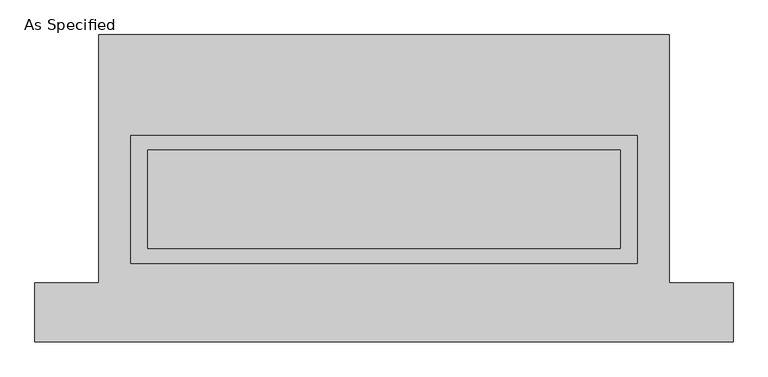
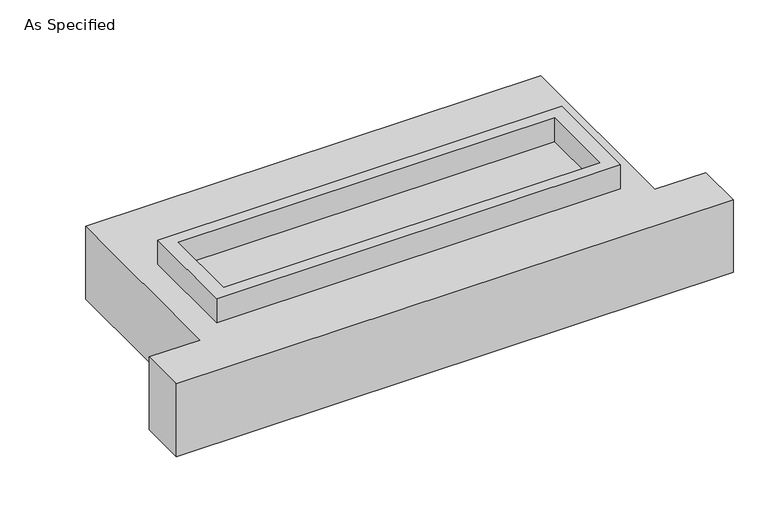
"""IFC4 building model written with IfcOpenShell, lengths in millimetres: proxy geometry, As Specified."""

from ifc_helpers import new_model, si_unit, frame, origin, place, context, project, spatial, polyline, outline, extrude, source, transform, mapped, element, save


def as_specified_8c425a91(model_context):
    return source(origin(), model_context, "Body", "SweptSolid", [
        extrude(outline(polyline([(1308.1, 273.05), (1308.1, -387.35), (-1308.1, -387.35), (-1308.1, 273.05), (1308.1, 273.05)]), holes=[polyline([(1219.2, 196.85), (-1219.2, 196.85), (-1219.2, -311.15), (1219.2, -311.15), (1219.2, 196.85)])]), frame((0.0, 0.0, -688.975), z_axis=(0.0, 0.0, 1.0), x_axis=(1.0, 0.0, 0.0)), (0.0, 0.0, 1.0), 165.1),
        extrude(outline(polyline([(1308.1, 273.05), (1308.1, -387.35), (-1308.1, -387.35), (-1308.1, 273.05), (1308.1, 273.05)]), holes=[polyline([(1219.2, 196.85), (-1219.2, 196.85), (-1219.2, -311.15), (1219.2, -311.15), (1219.2, 196.85)])]), frame((0.0, 0.0, -25.4), z_axis=(0.0, 0.0, 1.0), x_axis=(1.0, 0.0, 0.0)), (0.0, 0.0, 1.0), 165.1),
        extrude(outline(polyline([(1219.2, 196.85), (1219.2, -311.15), (-1219.2, -311.15), (-1219.2, 196.85), (1219.2, 196.85)])), frame((0.0, 0.0, -523.875), z_axis=(0.0, 0.0, 1.0), x_axis=(1.0, 0.0, 0.0)), (0.0, 0.0, 1.0), 4.9609375),
        extrude(outline(polyline([(1219.2, 196.85), (1219.2, -311.15), (-1219.2, -311.15), (-1219.2, 196.85), (1219.2, 196.85)])), frame((0.0, 0.0, -30.3609375), z_axis=(0.0, 0.0, 1.0), x_axis=(1.0, 0.0, 0.0)), (0.0, 0.0, 1.0), 4.9609375),
        extrude(outline(polyline([(-1473.2, 793.75), (1473.2, 793.75), (1473.2, -488.95), (1803.4, -488.95), (1803.4, -793.75), (-1803.4, -793.75), (-1803.4, -488.95), (-1473.2, -488.95), (-1473.2, 793.75)]), holes=[polyline([(-1308.1, 273.05), (-1308.1, -387.35), (1308.1, -387.35), (1308.1, 273.05), (-1308.1, 273.05)])]), frame((0.0, 0.0, -523.875), z_axis=(0.0, 0.0, 1.0), x_axis=(1.0, 0.0, 0.0)), (0.0, 0.0, 1.0), 498.475),
    ])


if __name__ == "__main__":
    model = new_model("IFC4")
    model_context = context("Model", 3, world=origin())
    ifc_project = project(units=[si_unit("LENGTHUNIT", "METRE", prefix="MILLI")], contexts=[model_context])
    site = spatial("IfcSite", under=ifc_project)
    building = spatial("IfcBuilding", under=site)
    placement = place(None, origin())
    as_specified_shape = as_specified_8c425a91(model_context)
    element("IfcBuildingElementProxy", 1, Name="As Specified", ObjectType="As Specified", at=placement, inside=building, context=model_context, shape_type="MappedRepresentation", body=[
        mapped(as_specified_shape, transform((0.0, 0.0, 0.0), x_axis=(1.0, 0.0, 0.0), y_axis=(0.0, 1.0, 0.0), z_axis=(0.0, 0.0, 1.0))),
    ])
    save(model, "model.ifc")
